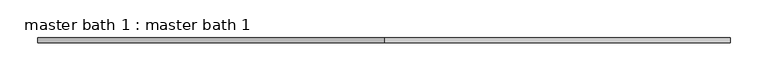
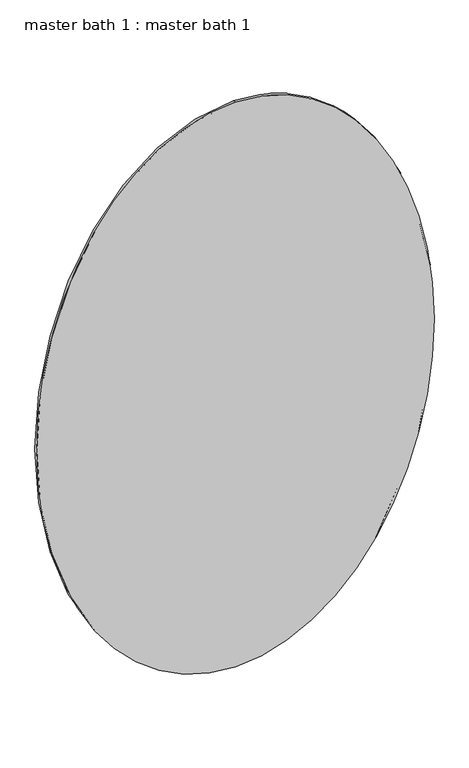
"""IFC4 building model written with IfcOpenShell, lengths in millimetres: proxy geometry, master bath 1 : master bath 1."""

from ifc_helpers import new_model, si_unit, point, frame, origin, place, context, project, spatial, ellipse_curve, trimmed, source, transform, mapped, element, save
from ifc_brep_helpers import plane_surface, extruded_surface, advanced_brep


def master_bath_1_master_bath_1_0f949369(model_context):
    return source(origin(), model_context, "Body", "AdvancedBrep", [
        advanced_brep(
        [(-4981.6823603, 10228.5001285, 3962.4), (-4981.6823603, 10228.5001285, 5334.0), (-4981.6823603, 10234.8501285, 3962.4), (-4981.6823603, 10234.8501285, 5334.0)],
        [
            (0, 1, ellipse_curve(frame((-4981.6823603, 10228.5001285, 4648.2), z_axis=(0.0, -1.0, 0.0), x_axis=(0.0, 0.0, 1.0)), 685.8, 457.2)),
            (1, 0, ellipse_curve(frame((-4981.6823603, 10228.5001285, 4648.2), z_axis=(0.0, -1.0, 0.0), x_axis=(0.0, 0.0, 1.0)), 685.8, 457.2)),
            (2, 3, ellipse_curve(frame((-4981.6823603, 10234.8501285, 4648.2), z_axis=(0.0, 1.0, 0.0), x_axis=(0.0, 0.0, 1.0)), 685.8, 457.2)),
            (3, 2, ellipse_curve(frame((-4981.6823603, 10234.8501285, 4648.2), z_axis=(0.0, 1.0, 0.0), x_axis=(0.0, 0.0, 1.0)), 685.8, 457.2)),
            (2, 0),
            (1, 3),
        ],
        [
            plane_surface(frame((-4981.6823603, 10228.5001285, 5334.0), z_axis=(0.0, -1.0, 0.0), x_axis=(-1.0, 0.0, 0.0))),
            plane_surface(frame((-4981.6823603, 10234.8501285, 5334.0), z_axis=(0.0, 1.0, 0.0), x_axis=(1.0, 0.0, 0.0))),
            extruded_surface(trimmed(ellipse_curve(frame((-4981.6823603, 10222.1501285, 4648.2), z_axis=(0.0, 1.0, 0.0), x_axis=(0.0, 0.0, 1.0)), 685.8, 457.2), [point((-4981.6823603, 10222.1501285, 3962.4))], [point((-4981.6823603, 10222.1501285, 5334.0))], True, "CARTESIAN"), (0.0, 6.350000000000364, 0.0), 6.350000000000364),
            extruded_surface(trimmed(ellipse_curve(frame((-4981.6823603, 10222.1501285, 4648.2), z_axis=(0.0, 1.0, 0.0), x_axis=(0.0, 0.0, 1.0)), 685.8, 457.2), [point((-4981.6823603, 10222.1501285, 5334.0))], [point((-4981.6823603, 10222.1501285, 3962.4))], True, "CARTESIAN"), (0.0, 6.350000000000364, 0.0), 6.350000000000364),
        ],
        [
            (0, [[1, 2]]),
            (1, [[3, 4]]),
            (2, [[-3, 5, -2, 6]]),
            (3, [[-4, -6, -1, -5]]),
        ],
    ),
    ])


if __name__ == "__main__":
    model = new_model("IFC4")
    model_context = context("Model", 3, world=origin())
    ifc_project = project(units=[si_unit("LENGTHUNIT", "METRE", prefix="MILLI")], contexts=[model_context])
    site = spatial("IfcSite", under=ifc_project)
    building = spatial("IfcBuilding", under=site)
    placement = place(None, origin())
    master_bath_1_master_bath_1_shape = master_bath_1_master_bath_1_0f949369(model_context)
    element("IfcBuildingElementProxy", 1, Name="master bath 1 : master bath 1", ObjectType="master bath 1 : master bath 1", at=placement, inside=building, context=model_context, shape_type="MappedRepresentation", body=[
        mapped(master_bath_1_master_bath_1_shape, transform((0.0, 0.0, 0.0), x_axis=(1.0, 0.0, 0.0), y_axis=(0.0, 1.0, 0.0), z_axis=(0.0, 0.0, 1.0))),
    ])
    save(model, "model.ifc")
